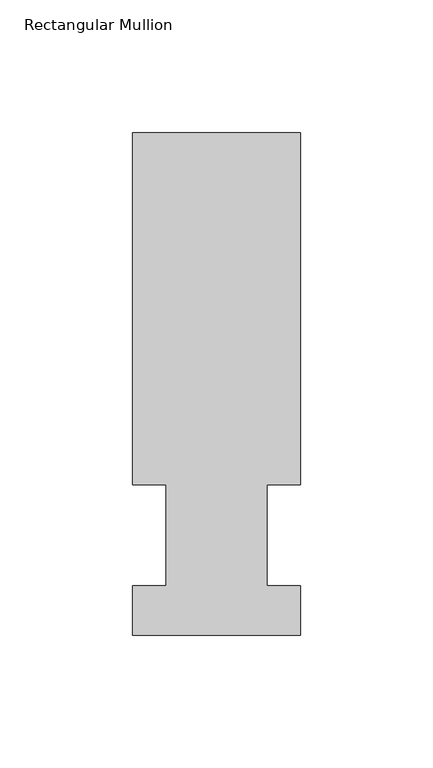
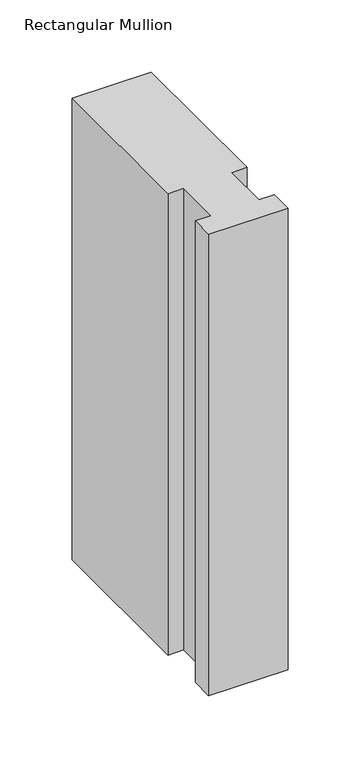
"""IFC4 building model written with IfcOpenShell, lengths in millimetres: member geometry, Rectangular Mullion."""

import ifcopenshell
import ifcopenshell.guid

model = None  # the IFC model being written
_history = None  # IfcOwnerHistory: only IFC2X3 demands one
_inside = {}  # id of a spatial element -> (the spatial element, [elements in it])
_under = {}  # id of a project, library or spatial element -> (it, [spatial elements below it])
_declared = {}  # id of a project -> (the project, [libraries it declares])
_typed = {}  # id of a type object -> (the type object, [elements of that type])
_made_of = {}  # id of a material, layer set ... -> (it, [elements and type objects made of it])


def new_model(schema):
    """Start an empty IFC model of exactly this schema.

    Asked for "IFC4X3", IfcOpenShell would pick the latest addendum, in which some entities
    have other attributes; the version numbers below select the first issue.
    IFC2X3 requires an IfcOwnerHistory on every rooted entity: one is made here for all.
    """
    global model, _history
    if schema == "IFC4X3":
        model = ifcopenshell.file(schema_version=(4, 3, 0, 0))
    else:
        model = ifcopenshell.file(schema=schema)
    _inside.clear()
    _under.clear()
    _declared.clear()
    _typed.clear()
    _made_of.clear()
    _history = None
    if model.schema == "IFC2X3":
        org = make("IfcOrganization", Name="unknown")
        user = make(
            "IfcPersonAndOrganization",
            ThePerson=make("IfcPerson", FamilyName="unknown"),
            TheOrganization=org,
        )
        app = make(
            "IfcApplication",
            ApplicationDeveloper=org,
            Version="unknown",
            ApplicationFullName="unknown",
            ApplicationIdentifier="unknown",
        )
        _history = make(
            "IfcOwnerHistory",
            OwningUser=user,
            OwningApplication=app,
            ChangeAction="ADDED",
            CreationDate=0,
        )
    return model


def make(cls, **values):
    """One entity of the class cls with the attributes given. An attribute that is None is left unset."""
    return model.create_entity(
        cls, **{name: value for name, value in values.items() if value is not None}
    )


def rooted(cls, **values):
    """An entity with a GlobalId (a new one), such as an element, a storey or a relation."""
    return make(cls, GlobalId=ifcopenshell.guid.new(), OwnerHistory=_history, **values)


def si_unit(unit_type, name, prefix=None):
    """IfcSIUnit, for example si_unit("LENGTHUNIT", "METRE", prefix="MILLI")."""
    return make("IfcSIUnit", UnitType=unit_type, Prefix=prefix, Name=name)


def assignment(units):
    """IfcUnitAssignment: the units of a project."""
    return None if units is None else make("IfcUnitAssignment", Units=units)


def point(xyz):
    """IfcCartesianPoint."""
    return None if xyz is None else make("IfcCartesianPoint", Coordinates=xyz)


def direction(xyz):
    """IfcDirection."""
    return None if xyz is None else make("IfcDirection", DirectionRatios=xyz)


def frame(location, z_axis=None, x_axis=None):
    """IfcAxis2Placement3D, a coordinate frame: its origin and axes. An axis left out is left unset."""
    return make(
        "IfcAxis2Placement3D",
        Location=point(location),
        Axis=direction(z_axis),
        RefDirection=direction(x_axis),
    )


def origin():
    """The frame at (0, 0, 0) with its axes left unset."""
    return frame((0.0, 0.0, 0.0))


def place(relative_to, where):
    """IfcLocalPlacement: puts the frame where relative to a parent placement (None: the world)."""
    return make(
        "IfcLocalPlacement", PlacementRelTo=relative_to, RelativePlacement=where
    )


def context(
    kind, dimensions, precision=None, world=None, true_north=None, identifier=None
):
    """IfcGeometricRepresentationContext, for example the 3D "Model" context."""
    return make(
        "IfcGeometricRepresentationContext",
        ContextIdentifier=identifier,
        ContextType=kind,
        CoordinateSpaceDimension=dimensions,
        Precision=precision,
        WorldCoordinateSystem=world,
        TrueNorth=true_north,
    )


def project(units=None, contexts=None):
    """IfcProject with its units and contexts."""
    return rooted(
        "IfcProject",
        Name="project",
        RepresentationContexts=contexts,
        UnitsInContext=assignment(units),
    )


def spatial(cls, under=None, at=None, **own):
    """A site, building, storey or space (cls), placed at a placement, below another one or the project."""
    s = rooted(cls, ObjectPlacement=at, **own)
    if under is not None:
        _under.setdefault(under.id(), (under, []))[1].append(s)
    return s


def polyline(points):
    """IfcPolyline through the points."""
    return make("IfcPolyline", Points=[point(p) for p in points])


def outline(outer, holes=None, kind="AREA"):
    """IfcArbitraryClosedProfileDef: a profile drawn as a closed curve; with holes, ...WithVoids."""
    if holes is None:
        return make("IfcArbitraryClosedProfileDef", ProfileType=kind, OuterCurve=outer)
    return make(
        "IfcArbitraryProfileDefWithVoids",
        ProfileType=kind,
        OuterCurve=outer,
        InnerCurves=holes,
    )


def extrude(swept, where, along, depth):
    """IfcExtrudedAreaSolid: the profile swept, set in the frame where, extruded along a direction by depth."""
    return make(
        "IfcExtrudedAreaSolid",
        SweptArea=swept,
        Position=where,
        ExtrudedDirection=direction(along),
        Depth=depth,
    )


def shape(context_of_items, identifier, shape_type, items):
    """IfcShapeRepresentation: the items that make up one representation, for example the "Body"."""
    return make(
        "IfcShapeRepresentation",
        ContextOfItems=context_of_items,
        RepresentationIdentifier=identifier,
        RepresentationType=shape_type,
        Items=items,
    )


def source(mapping_origin, context_of_items, identifier, shape_type, items):
    """IfcRepresentationMap: a shape defined once, which mapped items show again and again."""
    return make(
        "IfcRepresentationMap",
        MappingOrigin=mapping_origin,
        MappedRepresentation=shape(context_of_items, identifier, shape_type, items),
    )


def transform(
    local_origin,
    x_axis=None,
    y_axis=None,
    z_axis=None,
    scale=None,
    scale2=None,
    scale3=None,
    uniform=True,
):
    """IfcCartesianTransformationOperator3D, or its non-uniform kind. x_axis, y_axis, z_axis: its Axis1, 2, 3."""
    if uniform:
        return make(
            "IfcCartesianTransformationOperator3D",
            Axis1=direction(x_axis),
            Axis2=direction(y_axis),
            LocalOrigin=point(local_origin),
            Scale=scale,
            Axis3=direction(z_axis),
        )
    return make(
        "IfcCartesianTransformationOperator3DnonUniform",
        Axis1=direction(x_axis),
        Axis2=direction(y_axis),
        LocalOrigin=point(local_origin),
        Scale=scale,
        Axis3=direction(z_axis),
        Scale2=scale2,
        Scale3=scale3,
    )


def mapped(mapping_source, mapping_target):
    """IfcMappedItem: shows the shape of a source again, moved by a transform."""
    return make(
        "IfcMappedItem", MappingSource=mapping_source, MappingTarget=mapping_target
    )


def made_of(thing, what):
    """Note that an element or type object is made of a material, layer set ...; save() writes the relation."""
    if what is not None:
        _made_of.setdefault(what.id(), (what, []))[1].append(thing)
    return thing


def element(
    cls,
    number,
    at=None,
    inside=None,
    cuts=None,
    type_object=None,
    material=None,
    context=None,
    identifier="Body",
    shape_type=None,
    held_by="IfcProductDefinitionShape",
    body=None,
    shapes=None,
    **own,
):
    """One element of the class cls, such as IfcWall. Its Tag is "e" and its number.

    at: its placement. inside: the storey or other place that contains it. cuts: it is an
    opening in that element (IfcRelVoidsElement). A single representation is given by context,
    identifier, shape_type and body (its items); several are given by shapes. held_by: the class
    of the entity that holds the representations. save() writes the other relations.
    """
    e = rooted(cls, Tag="e%d" % number, ObjectPlacement=at, **own)
    if body is not None:
        shapes = [shape(context, identifier, shape_type, body)]
    if shapes is not None:
        e.Representation = make(held_by, Representations=shapes)
    if inside is not None:
        _inside.setdefault(inside.id(), (inside, []))[1].append(e)
    if cuts is not None:
        rooted(
            "IfcRelVoidsElement", RelatingBuildingElement=cuts, RelatedOpeningElement=e
        )
    if type_object is not None:
        _typed.setdefault(type_object.id(), (type_object, []))[1].append(e)
    return made_of(e, material)


def aggregate(whole, parts):
    """IfcRelAggregates: a whole, such as a stair, and the parts it consists of."""
    return rooted("IfcRelAggregates", RelatingObject=whole, RelatedObjects=parts)


def save(model, path):
    """Write the relations noted so far, then the file.

    IfcRelAggregates (storeys below a building ...), IfcRelContainedInSpatialStructure (elements
    in a storey), IfcRelDefinesByType, IfcRelAssociatesMaterial and IfcRelDeclares: one each for
    every whole, place, type object, material and project.
    """
    for whole, parts in _under.values():
        aggregate(whole, parts)
    for where, things in _inside.values():
        rooted(
            "IfcRelContainedInSpatialStructure",
            RelatedElements=things,
            RelatingStructure=where,
        )
    for kind, things in _typed.values():
        rooted("IfcRelDefinesByType", RelatedObjects=things, RelatingType=kind)
    for what, things in _made_of.values():
        rooted("IfcRelAssociatesMaterial", RelatedObjects=things, RelatingMaterial=what)
    for by, libraries in _declared.values():
        rooted("IfcRelDeclares", RelatingContext=by, RelatedDefinitions=libraries)
    model.write(path)


def rectangular_mullion_81aeba39(model_context):
    return source(origin(), model_context, "Body", "SweptSolid", [
        extrude(outline(polyline([(31.75, 151.9936), (31.75, 19.05), (19.0499746, 19.05), (19.0499746, -19.05), (31.75, -19.05), (31.75, -37.6936), (-31.75, -37.6936), (-31.75, -19.05), (-19.05, -19.05), (-19.05, 19.05), (-31.75, 19.05), (-31.75, 151.9936), (31.75, 151.9936)])), frame((0.0, 0.0, -390.4901236), z_axis=(0.0, 0.0, 1.0), x_axis=(1.0, 0.0, 0.0)), (0.0, 0.0, 1.0), 390.4901236),
    ])


if __name__ == "__main__":
    model = new_model("IFC4")
    model_context = context("Model", 3, world=origin())
    ifc_project = project(units=[si_unit("LENGTHUNIT", "METRE", prefix="MILLI")], contexts=[model_context])
    site = spatial("IfcSite", under=ifc_project)
    building = spatial("IfcBuilding", under=site)
    placement = place(None, origin())
    rectangular_mullion_shape = rectangular_mullion_81aeba39(model_context)
    element("IfcMember", 1, ObjectType="Rectangular Mullion", at=placement, inside=building, context=model_context, shape_type="MappedRepresentation", body=[
        mapped(rectangular_mullion_shape, transform((0.0, 0.0, 0.0), x_axis=(1.0, 0.0, 0.0), y_axis=(0.0, 1.0, 0.0), z_axis=(0.0, 0.0, 1.0))),
    ])
    save(model, "model.ifc")
